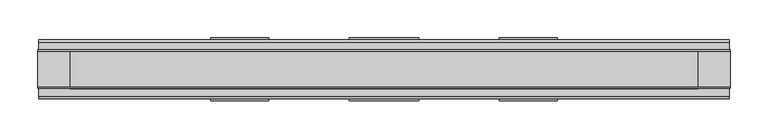
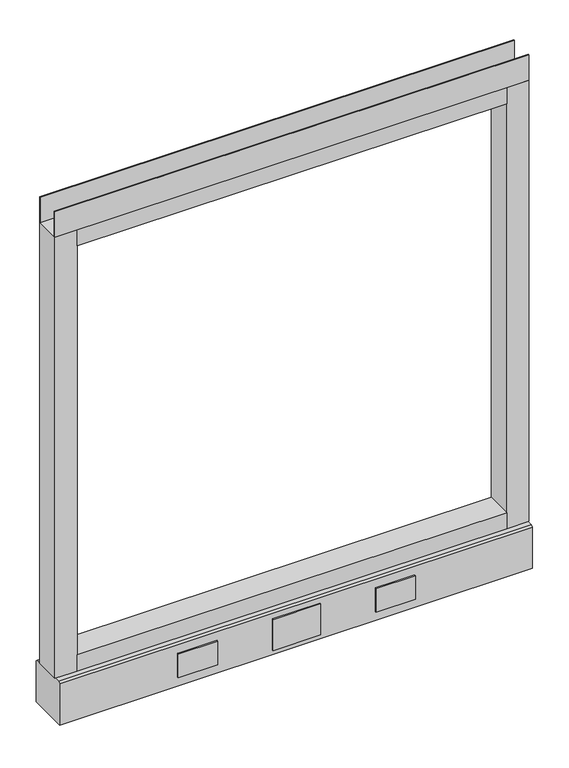
"""IFC4 building model written with IfcOpenShell, lengths in millimetres: furniture geometry."""

from ifc_helpers import new_model, si_unit, point, frame, frame_2d, origin, place, context, project, spatial, polyline, circle_curve, trimmed, segment, composite_curve, outline, extrude, source, transform, mapped, element, save
from ifc_brep_helpers import plane_surface, revolved_surface, advanced_brep


def furniture_0c4cf6b8(model_context):
    return source(origin(), model_context, "Body", "SolidModel", [
        advanced_brep(
        [(387.35, 0.0, 6.35), (412.75, 0.0, 6.35), (381.0, 0.0, 0.0), (419.1, 0.0, 0.0)],
        [
            (0, 1, circle_curve(frame((400.05, 0.0, 6.35), z_axis=(0.0, 0.0, 1.0), x_axis=(-1.0, 0.0, 0.0)), 12.7)),
            (1, 0, circle_curve(frame((400.05, 0.0, 6.35), z_axis=(0.0, 0.0, 1.0), x_axis=(1.0, 0.0, 0.0)), 12.7)),
            (2, 3, circle_curve(frame((400.05, 0.0, 0.0), z_axis=(0.0, 0.0, -1.0), x_axis=(1.0, 0.0, 0.0)), 19.05)),
            (3, 2, circle_curve(frame((400.05, 0.0, 0.0), z_axis=(0.0, 0.0, -1.0), x_axis=(-1.0, 0.0, 0.0)), 19.05)),
            (3, 1),
            (0, 2),
        ],
        [
            plane_surface(frame((400.05, 0.0, 6.35), z_axis=(0.0, 0.0, 1.0), x_axis=(0.0, -1.0, 0.0))),
            plane_surface(frame((400.05, 0.0, 0.0), z_axis=(0.0, 0.0, -1.0), x_axis=(0.0, -1.0, 0.0))),
            revolved_surface(polyline([(387.35, 0.0, 6.35), (381.0, 0.0, 0.0)]), (400.05, 0.0, 19.05), (0.0, 0.0, -1.0)),
            revolved_surface(polyline([(412.75, 0.0, 6.35), (419.1, 0.0, 0.0)]), (400.05, 0.0, 19.05), (0.0, 0.0, -1.0)),
        ],
        [
            (0, [[1, 2]]),
            (1, [[3, 4]]),
            (2, [[-4, 5, -1, 6]]),
            (3, [[-3, -6, -2, -5]]),
        ],
    ),
        advanced_brep(
        [(-412.75, 0.0, 6.35), (-387.35, 0.0, 6.35), (-419.1, 0.0, 0.0), (-381.0, 0.0, 0.0)],
        [
            (0, 1, circle_curve(frame((-400.05, 0.0, 6.35), z_axis=(0.0, 0.0, 1.0), x_axis=(-1.0, 0.0, 0.0)), 12.7)),
            (1, 0, circle_curve(frame((-400.05, 0.0, 6.35), z_axis=(0.0, 0.0, 1.0), x_axis=(1.0, 0.0, 0.0)), 12.7)),
            (2, 3, circle_curve(frame((-400.05, 0.0, 0.0), z_axis=(0.0, 0.0, -1.0), x_axis=(1.0, 0.0, 0.0)), 19.05)),
            (3, 2, circle_curve(frame((-400.05, 0.0, 0.0), z_axis=(0.0, 0.0, -1.0), x_axis=(-1.0, 0.0, 0.0)), 19.05)),
            (3, 1),
            (0, 2),
        ],
        [
            plane_surface(frame((-400.05, 0.0, 6.35), z_axis=(0.0, 0.0, 1.0), x_axis=(0.0, -1.0, 0.0))),
            plane_surface(frame((-400.05, 0.0, 0.0), z_axis=(0.0, 0.0, -1.0), x_axis=(0.0, -1.0, 0.0))),
            revolved_surface(polyline([(-412.75, 0.0, 6.35), (-419.1, 0.0, 0.0)]), (-400.05, 0.0, 19.05), (0.0, 0.0, -1.0)),
            revolved_surface(polyline([(-387.35, 0.0, 6.35), (-381.0, 0.0, 0.0)]), (-400.05, 0.0, 19.05), (0.0, 0.0, -1.0)),
        ],
        [
            (0, [[1, 2]]),
            (1, [[3, 4]]),
            (2, [[-4, 5, -1, 6]]),
            (3, [[-3, -6, -2, -5]]),
        ],
    ),
        extrude(outline(polyline([(228.6, 39.0921875), (152.4, 39.0921875), (152.4, 41.4020035), (228.6, 41.4020035), (228.6, 39.0921875)])), frame((0.0, 0.0, 32.512), z_axis=(0.0, 0.0, 1.0), x_axis=(1.0, 0.0, 0.0)), (0.0, 0.0, 1.0), 48.26),
        extrude(outline(polyline([(45.7708, 39.0921875), (-45.7708, 39.0921875), (-45.7708, 41.4020035), (45.7708, 41.4020035), (45.7708, 39.0921875)])), frame((0.0, 0.0, 23.8125), z_axis=(0.0, 0.0, 1.0), x_axis=(1.0, 0.0, 0.0)), (0.0, 0.0, 1.0), 63.5),
        extrude(outline(polyline([(-152.4, 39.0921875), (-228.6, 39.0921875), (-228.6, 41.4020035), (-152.4, 41.4020035), (-152.4, 39.0921875)])), frame((0.0, 0.0, 32.512), z_axis=(0.0, 0.0, 1.0), x_axis=(1.0, 0.0, 0.0)), (0.0, 0.0, 1.0), 48.26),
        extrude(outline(polyline([(228.6, -41.4019923), (152.4, -41.4019923), (152.4, -39.0921875), (228.6, -39.0921875), (228.6, -41.4019923)])), frame((0.0, 0.0, 32.512), z_axis=(0.0, 0.0, 1.0), x_axis=(1.0, 0.0, 0.0)), (0.0, 0.0, 1.0), 48.26),
        extrude(outline(polyline([(-152.4, -41.4019923), (-228.6, -41.4019923), (-228.6, -39.0921875), (-152.4, -39.0921875), (-152.4, -41.4019923)])), frame((0.0, 0.0, 32.512), z_axis=(0.0, 0.0, 1.0), x_axis=(1.0, 0.0, 0.0)), (0.0, 0.0, 1.0), 48.26),
        extrude(outline(polyline([(45.7708, -41.4019923), (-45.7708, -41.4019923), (-45.7708, -39.0921875), (45.7708, -39.0921875), (45.7708, -41.4019923)])), frame((0.0, 0.0, 23.8125), z_axis=(0.0, 0.0, 1.0), x_axis=(1.0, 0.0, 0.0)), (0.0, 0.0, 1.0), 63.5),
        extrude(outline(polyline([(457.2, -23.8125), (457.2, -25.4), (-457.2, -25.4), (-457.2, -23.8125), (457.2, -23.8125)])), frame((0.0, 0.0, 1000.633), z_axis=(0.0, 0.0, 1.0), x_axis=(1.0, 0.0, 0.0)), (0.0, 0.0, 1.0), 51.435),
        extrude(outline(polyline([(457.2, 25.4), (457.2, 23.8125), (-457.2, 23.8125), (-457.2, 25.4), (457.2, 25.4)])), frame((0.0, 0.0, 1000.633), z_axis=(0.0, 0.0, 1.0), x_axis=(1.0, 0.0, 0.0)), (0.0, 0.0, 1.0), 51.435),
        extrude(outline(polyline([(414.3375, -25.4), (-414.3375, -25.4), (-414.3375, 25.4), (414.3375, 25.4), (414.3375, -25.4)])), frame((0.0, 0.0, 967.74), z_axis=(0.0, 0.0, 1.0), x_axis=(1.0, 0.0, 0.0)), (0.0, 0.0, 1.0), 32.893),
        extrude(outline(polyline([(414.3375, -25.4), (-414.3375, -25.4), (-414.3375, 25.4), (414.3375, 25.4), (414.3375, -25.4)])), frame((0.0, 0.0, 101.6), z_axis=(0.0, 0.0, 1.0), x_axis=(1.0, 0.0, 0.0)), (0.0, 0.0, 1.0), 32.893),
        extrude(outline(composite_curve([segment(trimmed(circle_curve(frame_2d((-400.05, 0.0)), 5.55625), [point((-405.60625, 0.0))], [point((-394.49375, 0.0))], False, "CARTESIAN"), True, "CONTINUOUS"), segment(trimmed(circle_curve(frame_2d((-400.05, 0.0)), 5.55625), [point((-394.49375, 0.0))], [point((-405.60625, 0.0))], False, "CARTESIAN"), True, "CONTINUOUS")], self_intersect=False)), frame((0.0, 0.0, 6.35), z_axis=(0.0, 0.0, 1.0), x_axis=(1.0, 0.0, 0.0)), (0.0, 0.0, 1.0), 7.9375),
        extrude(outline(composite_curve([segment(trimmed(circle_curve(frame_2d((400.05, 0.0)), 5.55625), [point((394.49375, 0.0))], [point((405.60625, 0.0))], False, "CARTESIAN"), True, "CONTINUOUS"), segment(trimmed(circle_curve(frame_2d((400.05, 0.0)), 5.55625), [point((405.60625, 0.0))], [point((394.49375, 0.0))], False, "CARTESIAN"), True, "CONTINUOUS")], self_intersect=False)), frame((0.0, 0.0, 6.35), z_axis=(0.0, 0.0, 1.0), x_axis=(1.0, 0.0, 0.0)), (0.0, 0.0, 1.0), 7.9375),
        extrude(outline(polyline([(-414.3375, -25.4), (-457.2, -25.4), (-457.2, 25.4), (-414.3375, 25.4), (-414.3375, -25.4)])), frame((0.0, 0.0, 101.6), z_axis=(0.0, 0.0, 1.0), x_axis=(1.0, 0.0, 0.0)), (0.0, 0.0, 1.0), 899.033),
        extrude(outline(polyline([(457.2, -25.4), (414.3375, -25.4), (414.3375, 25.4), (457.2, 25.4), (457.2, -25.4)])), frame((0.0, 0.0, 101.6), z_axis=(0.0, 0.0, 1.0), x_axis=(1.0, 0.0, 0.0)), (0.0, 0.0, 1.0), 899.033),
        extrude(outline(polyline([(-35.9171875, 101.6), (35.9171875, 101.6), (39.0921875, 98.425), (39.0921875, 14.2875), (-39.0921875, 14.2875), (-39.0921875, 98.425), (-35.9171875, 101.6)])), frame((-456.057, 0.0, 0.0), z_axis=(1.0, 0.0, 0.0), x_axis=(0.0, 1.0, 0.0)), (0.0, 0.0, 1.0), 912.1140102),
    ])


if __name__ == "__main__":
    model = new_model("IFC4")
    model_context = context("Model", 3, world=origin())
    ifc_project = project(units=[si_unit("LENGTHUNIT", "METRE", prefix="MILLI")], contexts=[model_context])
    site = spatial("IfcSite", under=ifc_project)
    building = spatial("IfcBuilding", under=site)
    placement = place(None, origin())
    furniture_shape = furniture_0c4cf6b8(model_context)
    element("IfcFurniture", 1, at=placement, inside=building, context=model_context, shape_type="MappedRepresentation", body=[
        mapped(furniture_shape, transform((0.0, 0.0, 0.0), x_axis=(1.0, 0.0, 0.0), y_axis=(0.0, 1.0, 0.0), z_axis=(0.0, 0.0, 1.0))),
    ])
    save(model, "model.ifc")
